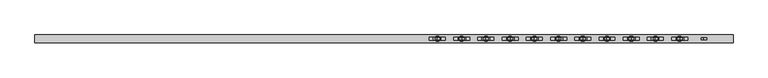
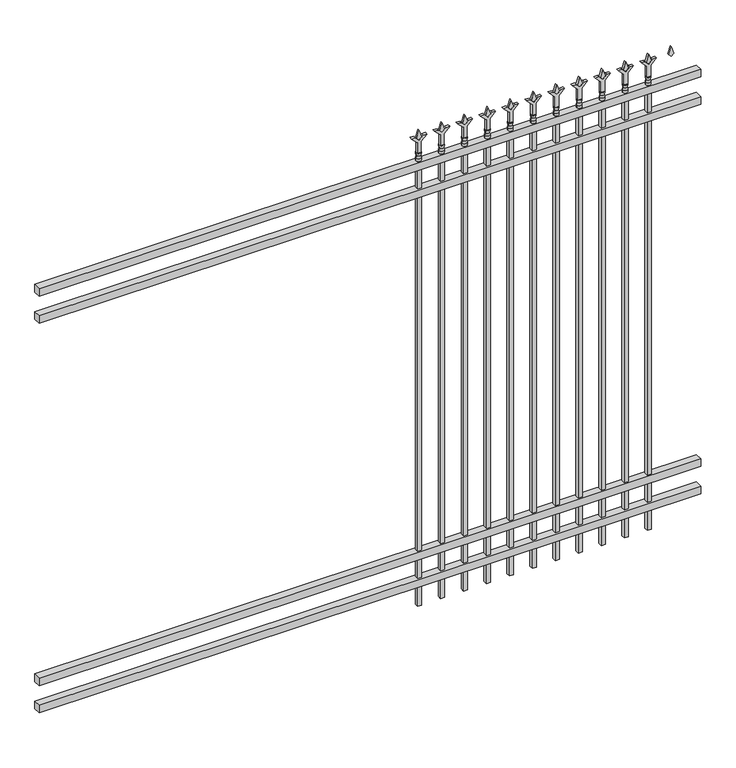
"""IFC4 building model written with IfcOpenShell, lengths in millimetres: railing geometry."""

from ifc_helpers import new_model, si_unit, frame, origin, place, context, project, spatial, polyline, circle_curve, outline, extrude, source, transform, mapped, element, save
from ifc_brep_helpers import plane_surface, cylinder_surface, revolved_surface, advanced_brep


def railing_78b5b620(model_context):
    return source(origin(), model_context, "Body", "SolidModel", [
        extrude(outline(polyline([(-55249.318087, -6748.7195174), (-55249.318087, -6713.7945174), (-52099.718087, -6713.7945174), (-52099.718087, -6748.7195174), (-55249.318087, -6748.7195174)])), frame((0.0, 0.0, 2247.9), z_axis=(0.0, 0.0, 1.0), x_axis=(1.0, 0.0, 0.0)), (0.0, 0.0, 1.0), 38.1),
        extrude(outline(polyline([(-55249.318087, -6748.7195174), (-55249.318087, -6713.7945174), (-52099.718087, -6713.7945174), (-52099.718087, -6748.7195174), (-55249.318087, -6748.7195174)])), frame((0.0, 0.0, 2111.375), z_axis=(0.0, 0.0, 1.0), x_axis=(1.0, 0.0, 0.0)), (0.0, 0.0, 1.0), 38.1),
        extrude(outline(polyline([(-55249.318087, -6748.7195174), (-55249.318087, -6713.7945174), (-52099.718087, -6713.7945174), (-52099.718087, -6748.7195174), (-55249.318087, -6748.7195174)])), frame((0.0, 0.0, 288.925), z_axis=(0.0, 0.0, 1.0), x_axis=(1.0, 0.0, 0.0)), (0.0, 0.0, 1.0), 38.1),
        extrude(outline(polyline([(-55249.318087, -6748.7195174), (-55249.318087, -6713.7945174), (-52099.718087, -6713.7945174), (-52099.718087, -6748.7195174), (-55249.318087, -6748.7195174)])), frame((0.0, 0.0, 152.4), z_axis=(0.0, 0.0, 1.0), x_axis=(1.0, 0.0, 0.0)), (0.0, 0.0, 1.0), 38.1),
        extrude(outline(polyline([(2402.68125, -52328.8472536), (2438.4, -52340.7535036), (2402.68125, -52352.6597536), (2390.775, -52340.7535036), (2402.68125, -52328.8472536)])), frame((0.0, -6736.0195174, 0.0), z_axis=(0.0, 1.0, 0.0), x_axis=(0.0, 0.0, 1.0)), (0.0, 0.0, 1.0), 9.525),
        extrude(outline(polyline([(2327.275, -52332.0222536), (2381.5457378, -52332.0222536), (2408.7355122, -52304.8324791), (2408.7355122, -52322.7929914), (2390.775, -52340.7535036), (2408.7355122, -52358.7140159), (2408.7355122, -52376.6745281), (2381.5457378, -52349.4847536), (2327.275, -52349.4847536), (2327.275, -52332.0222536)])), frame((0.0, -6737.6070174, 0.0), z_axis=(0.0, 1.0, 0.0), x_axis=(0.0, 0.0, 1.0)), (0.0, 0.0, 1.0), 12.7),
        advanced_brep(
        [(-52328.8472536, -6731.2570174, 2298.7), (-52352.6597536, -6731.2570174, 2298.7), (-52352.6597536, -6731.2570174, 2286.0), (-52328.8472536, -6731.2570174, 2286.0), (-52331.0525855, -6731.2570174, 2311.2070585), (-52350.4544218, -6731.2570174, 2311.2070585), (-52328.8472536, -6731.2570174, 2327.275), (-52352.6597536, -6731.2570174, 2327.275), (-52340.7535036, -6731.2570174, 2327.275), (-52340.7535036, -6731.2570174, 2286.0)],
        [
            (0, 1, circle_curve(frame((-52340.7535036, -6731.2570174, 2298.7), z_axis=(0.0, 0.0, -1.0), x_axis=(-1.0, 0.0, 0.0)), 11.90625)),
            (1, 2),
            (2, 3, circle_curve(frame((-52340.7535036, -6731.2570174, 2286.0), z_axis=(0.0, 0.0, 1.0), x_axis=(-1.0, 0.0, 0.0)), 11.90625)),
            (3, 0),
            (1, 0, circle_curve(frame((-52340.7535036, -6731.2570174, 2298.7), z_axis=(0.0, 0.0, -1.0), x_axis=(-1.0, 0.0, 0.0)), 11.90625)),
            (3, 2, circle_curve(frame((-52340.7535036, -6731.2570174, 2286.0), z_axis=(0.0, 0.0, 1.0), x_axis=(-1.0, 0.0, 0.0)), 11.90625)),
            (4, 5, circle_curve(frame((-52340.7535036, -6731.2570174, 2311.2070585), z_axis=(0.0, 0.0, -1.0), x_axis=(-1.0, 0.0, 0.0)), 9.7009181)),
            (5, 1),
            (0, 4),
            (5, 4, circle_curve(frame((-52340.7535036, -6731.2570174, 2311.2070585), z_axis=(0.0, 0.0, -1.0), x_axis=(-1.0, 0.0, 0.0)), 9.7009181)),
            (6, 7, circle_curve(frame((-52340.7535036, -6731.2570174, 2327.275), z_axis=(0.0, 0.0, -1.0), x_axis=(-1.0, 0.0, 0.0)), 11.90625)),
            (7, 5),
            (4, 6),
            (7, 6, circle_curve(frame((-52340.7535036, -6731.2570174, 2327.275), z_axis=(0.0, 0.0, -1.0), x_axis=(-1.0, 0.0, 0.0)), 11.90625)),
            (8, 7),
            (6, 8),
            (2, 9),
            (9, 3),
        ],
        [
            cylinder_surface(frame((-52340.7535036, -6731.2570174, 2286.0), z_axis=(0.0, 0.0, 1.0), x_axis=(-1.0, 0.0, 0.0)), 11.90625),
            revolved_surface(polyline([(-52352.6597536, -6731.2570174, 2298.7), (-52350.4544218, -6731.2570174, 2311.2070585)]), (-52340.7535036, -6731.2570174, 2286.0), (0.0, 0.0, 1.0)),
            revolved_surface(polyline([(-52350.4544218, -6731.2570174, 2311.2070585), (-52352.6597536, -6731.2570174, 2327.275)]), (-52340.7535036, -6731.2570174, 2286.0), (0.0, 0.0, 1.0)),
            plane_surface(frame((-52340.7535036, -6731.2570174, 2327.275), z_axis=(0.0, 0.0, 1.0), x_axis=(-1.0, 0.0, 0.0))),
            plane_surface(frame((-52340.7535036, -6731.2570174, 2286.0), z_axis=(0.0, 0.0, -1.0), x_axis=(-1.0, 0.0, 0.0))),
        ],
        [
            (0, [[1, 2, 3, 4]]),
            (0, [[5, -4, 6, -2]]),
            (1, [[7, 8, -1, 9]]),
            (1, [[10, -9, -5, -8]]),
            (2, [[11, 12, -7, 13]]),
            (2, [[14, -13, -10, -12]]),
            (3, [[15, -11, 16]]),
            (3, [[-16, -14, -15]]),
            (4, [[-3, 17, 18]]),
            (4, [[-6, -18, -17]]),
        ],
    ),
        extrude(outline(polyline([(-52350.2785036, -6721.7320174), (-52331.2285036, -6721.7320174), (-52331.2285036, -6740.7820174), (-52350.2785036, -6740.7820174), (-52350.2785036, -6721.7320174)])), frame((0.0, 0.0, 50.8), z_axis=(0.0, 0.0, 1.0), x_axis=(1.0, 0.0, 0.0)), (0.0, 0.0, 1.0), 2235.2),
        extrude(outline(polyline([(2402.68125, -52438.1201703), (2438.4, -52450.0264203), (2402.68125, -52461.9326703), (2390.775, -52450.0264203), (2402.68125, -52438.1201703)])), frame((0.0, -6736.0195174, 0.0), z_axis=(0.0, 1.0, 0.0), x_axis=(0.0, 0.0, 1.0)), (0.0, 0.0, 1.0), 9.525),
        extrude(outline(polyline([(2327.275, -52441.2951703), (2381.5457378, -52441.2951703), (2408.7355122, -52414.1053958), (2408.7355122, -52432.0659081), (2390.775, -52450.0264203), (2408.7355122, -52467.9869325), (2408.7355122, -52485.9474448), (2381.5457378, -52458.7576703), (2327.275, -52458.7576703), (2327.275, -52441.2951703)])), frame((0.0, -6737.6070174, 0.0), z_axis=(0.0, 1.0, 0.0), x_axis=(0.0, 0.0, 1.0)), (0.0, 0.0, 1.0), 12.7),
        advanced_brep(
        [(-52438.1201703, -6731.2570174, 2298.7), (-52461.9326703, -6731.2570174, 2298.7), (-52461.9326703, -6731.2570174, 2286.0), (-52438.1201703, -6731.2570174, 2286.0), (-52440.3255022, -6731.2570174, 2311.2070585), (-52459.7273384, -6731.2570174, 2311.2070585), (-52438.1201703, -6731.2570174, 2327.275), (-52461.9326703, -6731.2570174, 2327.275), (-52450.0264203, -6731.2570174, 2327.275), (-52450.0264203, -6731.2570174, 2286.0)],
        [
            (0, 1, circle_curve(frame((-52450.0264203, -6731.2570174, 2298.7), z_axis=(0.0, 0.0, -1.0), x_axis=(-1.0, 0.0, 0.0)), 11.90625)),
            (1, 2),
            (2, 3, circle_curve(frame((-52450.0264203, -6731.2570174, 2286.0), z_axis=(0.0, 0.0, 1.0), x_axis=(-1.0, 0.0, 0.0)), 11.90625)),
            (3, 0),
            (1, 0, circle_curve(frame((-52450.0264203, -6731.2570174, 2298.7), z_axis=(0.0, 0.0, -1.0), x_axis=(-1.0, 0.0, 0.0)), 11.90625)),
            (3, 2, circle_curve(frame((-52450.0264203, -6731.2570174, 2286.0), z_axis=(0.0, 0.0, 1.0), x_axis=(-1.0, 0.0, 0.0)), 11.90625)),
            (4, 5, circle_curve(frame((-52450.0264203, -6731.2570174, 2311.2070585), z_axis=(0.0, 0.0, -1.0), x_axis=(-1.0, 0.0, 0.0)), 9.7009181)),
            (5, 1),
            (0, 4),
            (5, 4, circle_curve(frame((-52450.0264203, -6731.2570174, 2311.2070585), z_axis=(0.0, 0.0, -1.0), x_axis=(-1.0, 0.0, 0.0)), 9.7009181)),
            (6, 7, circle_curve(frame((-52450.0264203, -6731.2570174, 2327.275), z_axis=(0.0, 0.0, -1.0), x_axis=(-1.0, 0.0, 0.0)), 11.90625)),
            (7, 5),
            (4, 6),
            (7, 6, circle_curve(frame((-52450.0264203, -6731.2570174, 2327.275), z_axis=(0.0, 0.0, -1.0), x_axis=(-1.0, 0.0, 0.0)), 11.90625)),
            (8, 7),
            (6, 8),
            (2, 9),
            (9, 3),
        ],
        [
            cylinder_surface(frame((-52450.0264203, -6731.2570174, 2286.0), z_axis=(0.0, 0.0, 1.0), x_axis=(-1.0, 0.0, 0.0)), 11.90625),
            revolved_surface(polyline([(-52461.9326703, -6731.2570174, 2298.7), (-52459.7273384, -6731.2570174, 2311.2070585)]), (-52450.0264203, -6731.2570174, 2286.0), (0.0, 0.0, 1.0)),
            revolved_surface(polyline([(-52459.7273384, -6731.2570174, 2311.2070585), (-52461.9326703, -6731.2570174, 2327.275)]), (-52450.0264203, -6731.2570174, 2286.0), (0.0, 0.0, 1.0)),
            plane_surface(frame((-52450.0264203, -6731.2570174, 2327.275), z_axis=(0.0, 0.0, 1.0), x_axis=(-1.0, 0.0, 0.0))),
            plane_surface(frame((-52450.0264203, -6731.2570174, 2286.0), z_axis=(0.0, 0.0, -1.0), x_axis=(-1.0, 0.0, 0.0))),
        ],
        [
            (0, [[1, 2, 3, 4]]),
            (0, [[5, -4, 6, -2]]),
            (1, [[7, 8, -1, 9]]),
            (1, [[10, -9, -5, -8]]),
            (2, [[11, 12, -7, 13]]),
            (2, [[14, -13, -10, -12]]),
            (3, [[15, -11, 16]]),
            (3, [[-16, -14, -15]]),
            (4, [[-3, 17, 18]]),
            (4, [[-6, -18, -17]]),
        ],
    ),
        extrude(outline(polyline([(-52459.5514203, -6721.7320174), (-52440.5014203, -6721.7320174), (-52440.5014203, -6740.7820174), (-52459.5514203, -6740.7820174), (-52459.5514203, -6721.7320174)])), frame((0.0, 0.0, 50.8), z_axis=(0.0, 0.0, 1.0), x_axis=(1.0, 0.0, 0.0)), (0.0, 0.0, 1.0), 2235.2),
        extrude(outline(polyline([(2402.68125, -52547.393087), (2438.4, -52559.299337), (2402.68125, -52571.205587), (2390.775, -52559.299337), (2402.68125, -52547.393087)])), frame((0.0, -6736.0195174, 0.0), z_axis=(0.0, 1.0, 0.0), x_axis=(0.0, 0.0, 1.0)), (0.0, 0.0, 1.0), 9.525),
        extrude(outline(polyline([(2327.275, -52550.568087), (2381.5457378, -52550.568087), (2408.7355122, -52523.3783125), (2408.7355122, -52541.3388247), (2390.775, -52559.299337), (2408.7355122, -52577.2598492), (2408.7355122, -52595.2203614), (2381.5457378, -52568.030587), (2327.275, -52568.030587), (2327.275, -52550.568087)])), frame((0.0, -6737.6070174, 0.0), z_axis=(0.0, 1.0, 0.0), x_axis=(0.0, 0.0, 1.0)), (0.0, 0.0, 1.0), 12.7),
        advanced_brep(
        [(-52547.393087, -6731.2570174, 2298.7), (-52571.205587, -6731.2570174, 2298.7), (-52571.205587, -6731.2570174, 2286.0), (-52547.393087, -6731.2570174, 2286.0), (-52549.5984188, -6731.2570174, 2311.2070585), (-52569.0002551, -6731.2570174, 2311.2070585), (-52547.393087, -6731.2570174, 2327.275), (-52571.205587, -6731.2570174, 2327.275), (-52559.299337, -6731.2570174, 2327.275), (-52559.299337, -6731.2570174, 2286.0)],
        [
            (0, 1, circle_curve(frame((-52559.299337, -6731.2570174, 2298.7), z_axis=(0.0, 0.0, -1.0), x_axis=(-1.0, 0.0, 0.0)), 11.90625)),
            (1, 2),
            (2, 3, circle_curve(frame((-52559.299337, -6731.2570174, 2286.0), z_axis=(0.0, 0.0, 1.0), x_axis=(-1.0, 0.0, 0.0)), 11.90625)),
            (3, 0),
            (1, 0, circle_curve(frame((-52559.299337, -6731.2570174, 2298.7), z_axis=(0.0, 0.0, -1.0), x_axis=(-1.0, 0.0, 0.0)), 11.90625)),
            (3, 2, circle_curve(frame((-52559.299337, -6731.2570174, 2286.0), z_axis=(0.0, 0.0, 1.0), x_axis=(-1.0, 0.0, 0.0)), 11.90625)),
            (4, 5, circle_curve(frame((-52559.299337, -6731.2570174, 2311.2070585), z_axis=(0.0, 0.0, -1.0), x_axis=(-1.0, 0.0, 0.0)), 9.7009181)),
            (5, 1),
            (0, 4),
            (5, 4, circle_curve(frame((-52559.299337, -6731.2570174, 2311.2070585), z_axis=(0.0, 0.0, -1.0), x_axis=(-1.0, 0.0, 0.0)), 9.7009181)),
            (6, 7, circle_curve(frame((-52559.299337, -6731.2570174, 2327.275), z_axis=(0.0, 0.0, -1.0), x_axis=(-1.0, 0.0, 0.0)), 11.90625)),
            (7, 5),
            (4, 6),
            (7, 6, circle_curve(frame((-52559.299337, -6731.2570174, 2327.275), z_axis=(0.0, 0.0, -1.0), x_axis=(-1.0, 0.0, 0.0)), 11.90625)),
            (8, 7),
            (6, 8),
            (2, 9),
            (9, 3),
        ],
        [
            cylinder_surface(frame((-52559.299337, -6731.2570174, 2286.0), z_axis=(0.0, 0.0, 1.0), x_axis=(-1.0, 0.0, 0.0)), 11.90625),
            revolved_surface(polyline([(-52571.205587, -6731.2570174, 2298.7), (-52569.0002551, -6731.2570174, 2311.2070585)]), (-52559.299337, -6731.2570174, 2286.0), (0.0, 0.0, 1.0)),
            revolved_surface(polyline([(-52569.0002551, -6731.2570174, 2311.2070585), (-52571.205587, -6731.2570174, 2327.275)]), (-52559.299337, -6731.2570174, 2286.0), (0.0, 0.0, 1.0)),
            plane_surface(frame((-52559.299337, -6731.2570174, 2327.275), z_axis=(0.0, 0.0, 1.0), x_axis=(-1.0, 0.0, 0.0))),
            plane_surface(frame((-52559.299337, -6731.2570174, 2286.0), z_axis=(0.0, 0.0, -1.0), x_axis=(-1.0, 0.0, 0.0))),
        ],
        [
            (0, [[1, 2, 3, 4]]),
            (0, [[5, -4, 6, -2]]),
            (1, [[7, 8, -1, 9]]),
            (1, [[10, -9, -5, -8]]),
            (2, [[11, 12, -7, 13]]),
            (2, [[14, -13, -10, -12]]),
            (3, [[15, -11, 16]]),
            (3, [[-16, -14, -15]]),
            (4, [[-3, 17, 18]]),
            (4, [[-6, -18, -17]]),
        ],
    ),
        extrude(outline(polyline([(-52568.824337, -6721.7320174), (-52549.774337, -6721.7320174), (-52549.774337, -6740.7820174), (-52568.824337, -6740.7820174), (-52568.824337, -6721.7320174)])), frame((0.0, 0.0, 50.8), z_axis=(0.0, 0.0, 1.0), x_axis=(1.0, 0.0, 0.0)), (0.0, 0.0, 1.0), 2235.2),
        extrude(outline(polyline([(2402.68125, -52656.6660036), (2438.4, -52668.5722536), (2402.68125, -52680.4785036), (2390.775, -52668.5722536), (2402.68125, -52656.6660036)])), frame((0.0, -6736.0195174, 0.0), z_axis=(0.0, 1.0, 0.0), x_axis=(0.0, 0.0, 1.0)), (0.0, 0.0, 1.0), 9.525),
        extrude(outline(polyline([(2327.275, -52659.8410036), (2381.5457378, -52659.8410036), (2408.7355122, -52632.6512291), (2408.7355122, -52650.6117414), (2390.775, -52668.5722536), (2408.7355122, -52686.5327659), (2408.7355122, -52704.4932781), (2381.5457378, -52677.3035036), (2327.275, -52677.3035036), (2327.275, -52659.8410036)])), frame((0.0, -6737.6070174, 0.0), z_axis=(0.0, 1.0, 0.0), x_axis=(0.0, 0.0, 1.0)), (0.0, 0.0, 1.0), 12.7),
        advanced_brep(
        [(-52656.6660036, -6731.2570174, 2298.7), (-52680.4785036, -6731.2570174, 2298.7), (-52680.4785036, -6731.2570174, 2286.0), (-52656.6660036, -6731.2570174, 2286.0), (-52658.8713355, -6731.2570174, 2311.2070585), (-52678.2731718, -6731.2570174, 2311.2070585), (-52656.6660036, -6731.2570174, 2327.275), (-52680.4785036, -6731.2570174, 2327.275), (-52668.5722536, -6731.2570174, 2327.275), (-52668.5722536, -6731.2570174, 2286.0)],
        [
            (0, 1, circle_curve(frame((-52668.5722536, -6731.2570174, 2298.7), z_axis=(0.0, 0.0, -1.0), x_axis=(-1.0, 0.0, 0.0)), 11.90625)),
            (1, 2),
            (2, 3, circle_curve(frame((-52668.5722536, -6731.2570174, 2286.0), z_axis=(0.0, 0.0, 1.0), x_axis=(-1.0, 0.0, 0.0)), 11.90625)),
            (3, 0),
            (1, 0, circle_curve(frame((-52668.5722536, -6731.2570174, 2298.7), z_axis=(0.0, 0.0, -1.0), x_axis=(-1.0, 0.0, 0.0)), 11.90625)),
            (3, 2, circle_curve(frame((-52668.5722536, -6731.2570174, 2286.0), z_axis=(0.0, 0.0, 1.0), x_axis=(-1.0, 0.0, 0.0)), 11.90625)),
            (4, 5, circle_curve(frame((-52668.5722536, -6731.2570174, 2311.2070585), z_axis=(0.0, 0.0, -1.0), x_axis=(-1.0, 0.0, 0.0)), 9.7009181)),
            (5, 1),
            (0, 4),
            (5, 4, circle_curve(frame((-52668.5722536, -6731.2570174, 2311.2070585), z_axis=(0.0, 0.0, -1.0), x_axis=(-1.0, 0.0, 0.0)), 9.7009181)),
            (6, 7, circle_curve(frame((-52668.5722536, -6731.2570174, 2327.275), z_axis=(0.0, 0.0, -1.0), x_axis=(-1.0, 0.0, 0.0)), 11.90625)),
            (7, 5),
            (4, 6),
            (7, 6, circle_curve(frame((-52668.5722536, -6731.2570174, 2327.275), z_axis=(0.0, 0.0, -1.0), x_axis=(-1.0, 0.0, 0.0)), 11.90625)),
            (8, 7),
            (6, 8),
            (2, 9),
            (9, 3),
        ],
        [
            cylinder_surface(frame((-52668.5722536, -6731.2570174, 2286.0), z_axis=(0.0, 0.0, 1.0), x_axis=(-1.0, 0.0, 0.0)), 11.90625),
            revolved_surface(polyline([(-52680.4785036, -6731.2570174, 2298.7), (-52678.2731718, -6731.2570174, 2311.2070585)]), (-52668.5722536, -6731.2570174, 2286.0), (0.0, 0.0, 1.0)),
            revolved_surface(polyline([(-52678.2731718, -6731.2570174, 2311.2070585), (-52680.4785036, -6731.2570174, 2327.275)]), (-52668.5722536, -6731.2570174, 2286.0), (0.0, 0.0, 1.0)),
            plane_surface(frame((-52668.5722536, -6731.2570174, 2327.275), z_axis=(0.0, 0.0, 1.0), x_axis=(-1.0, 0.0, 0.0))),
            plane_surface(frame((-52668.5722536, -6731.2570174, 2286.0), z_axis=(0.0, 0.0, -1.0), x_axis=(-1.0, 0.0, 0.0))),
        ],
        [
            (0, [[1, 2, 3, 4]]),
            (0, [[5, -4, 6, -2]]),
            (1, [[7, 8, -1, 9]]),
            (1, [[10, -9, -5, -8]]),
            (2, [[11, 12, -7, 13]]),
            (2, [[14, -13, -10, -12]]),
            (3, [[15, -11, 16]]),
            (3, [[-16, -14, -15]]),
            (4, [[-3, 17, 18]]),
            (4, [[-6, -18, -17]]),
        ],
    ),
        extrude(outline(polyline([(-52678.0972536, -6721.7320174), (-52659.0472536, -6721.7320174), (-52659.0472536, -6740.7820174), (-52678.0972536, -6740.7820174), (-52678.0972536, -6721.7320174)])), frame((0.0, 0.0, 50.8), z_axis=(0.0, 0.0, 1.0), x_axis=(1.0, 0.0, 0.0)), (0.0, 0.0, 1.0), 2235.2),
        extrude(outline(polyline([(2402.68125, -52765.9389203), (2438.4, -52777.8451703), (2402.68125, -52789.7514203), (2390.775, -52777.8451703), (2402.68125, -52765.9389203)])), frame((0.0, -6736.0195174, 0.0), z_axis=(0.0, 1.0, 0.0), x_axis=(0.0, 0.0, 1.0)), (0.0, 0.0, 1.0), 9.525),
        extrude(outline(polyline([(2327.275, -52769.1139203), (2381.5457378, -52769.1139203), (2408.7355122, -52741.9241458), (2408.7355122, -52759.8846581), (2390.775, -52777.8451703), (2408.7355122, -52795.8056825), (2408.7355122, -52813.7661948), (2381.5457378, -52786.5764203), (2327.275, -52786.5764203), (2327.275, -52769.1139203)])), frame((0.0, -6737.6070174, 0.0), z_axis=(0.0, 1.0, 0.0), x_axis=(0.0, 0.0, 1.0)), (0.0, 0.0, 1.0), 12.7),
        advanced_brep(
        [(-52765.9389203, -6731.2570174, 2298.7), (-52789.7514203, -6731.2570174, 2298.7), (-52789.7514203, -6731.2570174, 2286.0), (-52765.9389203, -6731.2570174, 2286.0), (-52768.1442522, -6731.2570174, 2311.2070585), (-52787.5460884, -6731.2570174, 2311.2070585), (-52765.9389203, -6731.2570174, 2327.275), (-52789.7514203, -6731.2570174, 2327.275), (-52777.8451703, -6731.2570174, 2327.275), (-52777.8451703, -6731.2570174, 2286.0)],
        [
            (0, 1, circle_curve(frame((-52777.8451703, -6731.2570174, 2298.7), z_axis=(0.0, 0.0, -1.0), x_axis=(-1.0, 0.0, 0.0)), 11.90625)),
            (1, 2),
            (2, 3, circle_curve(frame((-52777.8451703, -6731.2570174, 2286.0), z_axis=(0.0, 0.0, 1.0), x_axis=(-1.0, 0.0, 0.0)), 11.90625)),
            (3, 0),
            (1, 0, circle_curve(frame((-52777.8451703, -6731.2570174, 2298.7), z_axis=(0.0, 0.0, -1.0), x_axis=(-1.0, 0.0, 0.0)), 11.90625)),
            (3, 2, circle_curve(frame((-52777.8451703, -6731.2570174, 2286.0), z_axis=(0.0, 0.0, 1.0), x_axis=(-1.0, 0.0, 0.0)), 11.90625)),
            (4, 5, circle_curve(frame((-52777.8451703, -6731.2570174, 2311.2070585), z_axis=(0.0, 0.0, -1.0), x_axis=(-1.0, 0.0, 0.0)), 9.7009181)),
            (5, 1),
            (0, 4),
            (5, 4, circle_curve(frame((-52777.8451703, -6731.2570174, 2311.2070585), z_axis=(0.0, 0.0, -1.0), x_axis=(-1.0, 0.0, 0.0)), 9.7009181)),
            (6, 7, circle_curve(frame((-52777.8451703, -6731.2570174, 2327.275), z_axis=(0.0, 0.0, -1.0), x_axis=(-1.0, 0.0, 0.0)), 11.90625)),
            (7, 5),
            (4, 6),
            (7, 6, circle_curve(frame((-52777.8451703, -6731.2570174, 2327.275), z_axis=(0.0, 0.0, -1.0), x_axis=(-1.0, 0.0, 0.0)), 11.90625)),
            (8, 7),
            (6, 8),
            (2, 9),
            (9, 3),
        ],
        [
            cylinder_surface(frame((-52777.8451703, -6731.2570174, 2286.0), z_axis=(0.0, 0.0, 1.0), x_axis=(-1.0, 0.0, 0.0)), 11.90625),
            revolved_surface(polyline([(-52789.7514203, -6731.2570174, 2298.7), (-52787.5460884, -6731.2570174, 2311.2070585)]), (-52777.8451703, -6731.2570174, 2286.0), (0.0, 0.0, 1.0)),
            revolved_surface(polyline([(-52787.5460884, -6731.2570174, 2311.2070585), (-52789.7514203, -6731.2570174, 2327.275)]), (-52777.8451703, -6731.2570174, 2286.0), (0.0, 0.0, 1.0)),
            plane_surface(frame((-52777.8451703, -6731.2570174, 2327.275), z_axis=(0.0, 0.0, 1.0), x_axis=(-1.0, 0.0, 0.0))),
            plane_surface(frame((-52777.8451703, -6731.2570174, 2286.0), z_axis=(0.0, 0.0, -1.0), x_axis=(-1.0, 0.0, 0.0))),
        ],
        [
            (0, [[1, 2, 3, 4]]),
            (0, [[5, -4, 6, -2]]),
            (1, [[7, 8, -1, 9]]),
            (1, [[10, -9, -5, -8]]),
            (2, [[11, 12, -7, 13]]),
            (2, [[14, -13, -10, -12]]),
            (3, [[15, -11, 16]]),
            (3, [[-16, -14, -15]]),
            (4, [[-3, 17, 18]]),
            (4, [[-6, -18, -17]]),
        ],
    ),
        extrude(outline(polyline([(-52787.3701703, -6721.7320174), (-52768.3201703, -6721.7320174), (-52768.3201703, -6740.7820174), (-52787.3701703, -6740.7820174), (-52787.3701703, -6721.7320174)])), frame((0.0, 0.0, 50.8), z_axis=(0.0, 0.0, 1.0), x_axis=(1.0, 0.0, 0.0)), (0.0, 0.0, 1.0), 2235.2),
        extrude(outline(polyline([(2402.68125, -52875.211837), (2438.4, -52887.118087), (2402.68125, -52899.024337), (2390.775, -52887.118087), (2402.68125, -52875.211837)])), frame((0.0, -6736.0195174, 0.0), z_axis=(0.0, 1.0, 0.0), x_axis=(0.0, 0.0, 1.0)), (0.0, 0.0, 1.0), 9.525),
        extrude(outline(polyline([(2327.275, -52878.386837), (2381.5457378, -52878.386837), (2408.7355122, -52851.1970625), (2408.7355122, -52869.1575747), (2390.775, -52887.118087), (2408.7355122, -52905.0785992), (2408.7355122, -52923.0391114), (2381.5457378, -52895.849337), (2327.275, -52895.849337), (2327.275, -52878.386837)])), frame((0.0, -6737.6070174, 0.0), z_axis=(0.0, 1.0, 0.0), x_axis=(0.0, 0.0, 1.0)), (0.0, 0.0, 1.0), 12.7),
        advanced_brep(
        [(-52875.211837, -6731.2570174, 2298.7), (-52899.024337, -6731.2570174, 2298.7), (-52899.024337, -6731.2570174, 2286.0), (-52875.211837, -6731.2570174, 2286.0), (-52877.4171688, -6731.2570174, 2311.2070585), (-52896.8190051, -6731.2570174, 2311.2070585), (-52875.211837, -6731.2570174, 2327.275), (-52899.024337, -6731.2570174, 2327.275), (-52887.118087, -6731.2570174, 2327.275), (-52887.118087, -6731.2570174, 2286.0)],
        [
            (0, 1, circle_curve(frame((-52887.118087, -6731.2570174, 2298.7), z_axis=(0.0, 0.0, -1.0), x_axis=(-1.0, 0.0, 0.0)), 11.90625)),
            (1, 2),
            (2, 3, circle_curve(frame((-52887.118087, -6731.2570174, 2286.0), z_axis=(0.0, 0.0, 1.0), x_axis=(-1.0, 0.0, 0.0)), 11.90625)),
            (3, 0),
            (1, 0, circle_curve(frame((-52887.118087, -6731.2570174, 2298.7), z_axis=(0.0, 0.0, -1.0), x_axis=(-1.0, 0.0, 0.0)), 11.90625)),
            (3, 2, circle_curve(frame((-52887.118087, -6731.2570174, 2286.0), z_axis=(0.0, 0.0, 1.0), x_axis=(-1.0, 0.0, 0.0)), 11.90625)),
            (4, 5, circle_curve(frame((-52887.118087, -6731.2570174, 2311.2070585), z_axis=(0.0, 0.0, -1.0), x_axis=(-1.0, 0.0, 0.0)), 9.7009181)),
            (5, 1),
            (0, 4),
            (5, 4, circle_curve(frame((-52887.118087, -6731.2570174, 2311.2070585), z_axis=(0.0, 0.0, -1.0), x_axis=(-1.0, 0.0, 0.0)), 9.7009181)),
            (6, 7, circle_curve(frame((-52887.118087, -6731.2570174, 2327.275), z_axis=(0.0, 0.0, -1.0), x_axis=(-1.0, 0.0, 0.0)), 11.90625)),
            (7, 5),
            (4, 6),
            (7, 6, circle_curve(frame((-52887.118087, -6731.2570174, 2327.275), z_axis=(0.0, 0.0, -1.0), x_axis=(-1.0, 0.0, 0.0)), 11.90625)),
            (8, 7),
            (6, 8),
            (2, 9),
            (9, 3),
        ],
        [
            cylinder_surface(frame((-52887.118087, -6731.2570174, 2286.0), z_axis=(0.0, 0.0, 1.0), x_axis=(-1.0, 0.0, 0.0)), 11.90625),
            revolved_surface(polyline([(-52899.024337, -6731.2570174, 2298.7), (-52896.8190051, -6731.2570174, 2311.2070585)]), (-52887.118087, -6731.2570174, 2286.0), (0.0, 0.0, 1.0)),
            revolved_surface(polyline([(-52896.8190051, -6731.2570174, 2311.2070585), (-52899.024337, -6731.2570174, 2327.275)]), (-52887.118087, -6731.2570174, 2286.0), (0.0, 0.0, 1.0)),
            plane_surface(frame((-52887.118087, -6731.2570174, 2327.275), z_axis=(0.0, 0.0, 1.0), x_axis=(-1.0, 0.0, 0.0))),
            plane_surface(frame((-52887.118087, -6731.2570174, 2286.0), z_axis=(0.0, 0.0, -1.0), x_axis=(-1.0, 0.0, 0.0))),
        ],
        [
            (0, [[1, 2, 3, 4]]),
            (0, [[5, -4, 6, -2]]),
            (1, [[7, 8, -1, 9]]),
            (1, [[10, -9, -5, -8]]),
            (2, [[11, 12, -7, 13]]),
            (2, [[14, -13, -10, -12]]),
            (3, [[15, -11, 16]]),
            (3, [[-16, -14, -15]]),
            (4, [[-3, 17, 18]]),
            (4, [[-6, -18, -17]]),
        ],
    ),
        extrude(outline(polyline([(-52896.643087, -6721.7320174), (-52877.593087, -6721.7320174), (-52877.593087, -6740.7820174), (-52896.643087, -6740.7820174), (-52896.643087, -6721.7320174)])), frame((0.0, 0.0, 50.8), z_axis=(0.0, 0.0, 1.0), x_axis=(1.0, 0.0, 0.0)), (0.0, 0.0, 1.0), 2235.2),
        extrude(outline(polyline([(2402.68125, -52984.4847536), (2438.4, -52996.3910036), (2402.68125, -53008.2972536), (2390.775, -52996.3910036), (2402.68125, -52984.4847536)])), frame((0.0, -6736.0195174, 0.0), z_axis=(0.0, 1.0, 0.0), x_axis=(0.0, 0.0, 1.0)), (0.0, 0.0, 1.0), 9.525),
        extrude(outline(polyline([(2327.275, -52987.6597536), (2381.5457378, -52987.6597536), (2408.7355122, -52960.4699791), (2408.7355122, -52978.4304914), (2390.775, -52996.3910036), (2408.7355122, -53014.3515159), (2408.7355122, -53032.3120281), (2381.5457378, -53005.1222536), (2327.275, -53005.1222536), (2327.275, -52987.6597536)])), frame((0.0, -6737.6070174, 0.0), z_axis=(0.0, 1.0, 0.0), x_axis=(0.0, 0.0, 1.0)), (0.0, 0.0, 1.0), 12.7),
        advanced_brep(
        [(-52984.4847536, -6731.2570174, 2298.7), (-53008.2972536, -6731.2570174, 2298.7), (-53008.2972536, -6731.2570174, 2286.0), (-52984.4847536, -6731.2570174, 2286.0), (-52986.6900855, -6731.2570174, 2311.2070585), (-53006.0919218, -6731.2570174, 2311.2070585), (-52984.4847536, -6731.2570174, 2327.275), (-53008.2972536, -6731.2570174, 2327.275), (-52996.3910036, -6731.2570174, 2327.275), (-52996.3910036, -6731.2570174, 2286.0)],
        [
            (0, 1, circle_curve(frame((-52996.3910036, -6731.2570174, 2298.7), z_axis=(0.0, 0.0, -1.0), x_axis=(-1.0, 0.0, 0.0)), 11.90625)),
            (1, 2),
            (2, 3, circle_curve(frame((-52996.3910036, -6731.2570174, 2286.0), z_axis=(0.0, 0.0, 1.0), x_axis=(-1.0, 0.0, 0.0)), 11.90625)),
            (3, 0),
            (1, 0, circle_curve(frame((-52996.3910036, -6731.2570174, 2298.7), z_axis=(0.0, 0.0, -1.0), x_axis=(-1.0, 0.0, 0.0)), 11.90625)),
            (3, 2, circle_curve(frame((-52996.3910036, -6731.2570174, 2286.0), z_axis=(0.0, 0.0, 1.0), x_axis=(-1.0, 0.0, 0.0)), 11.90625)),
            (4, 5, circle_curve(frame((-52996.3910036, -6731.2570174, 2311.2070585), z_axis=(0.0, 0.0, -1.0), x_axis=(-1.0, 0.0, 0.0)), 9.7009181)),
            (5, 1),
            (0, 4),
            (5, 4, circle_curve(frame((-52996.3910036, -6731.2570174, 2311.2070585), z_axis=(0.0, 0.0, -1.0), x_axis=(-1.0, 0.0, 0.0)), 9.7009181)),
            (6, 7, circle_curve(frame((-52996.3910036, -6731.2570174, 2327.275), z_axis=(0.0, 0.0, -1.0), x_axis=(-1.0, 0.0, 0.0)), 11.90625)),
            (7, 5),
            (4, 6),
            (7, 6, circle_curve(frame((-52996.3910036, -6731.2570174, 2327.275), z_axis=(0.0, 0.0, -1.0), x_axis=(-1.0, 0.0, 0.0)), 11.90625)),
            (8, 7),
            (6, 8),
            (2, 9),
            (9, 3),
        ],
        [
            cylinder_surface(frame((-52996.3910036, -6731.2570174, 2286.0), z_axis=(0.0, 0.0, 1.0), x_axis=(-1.0, 0.0, 0.0)), 11.90625),
            revolved_surface(polyline([(-53008.2972536, -6731.2570174, 2298.7), (-53006.0919218, -6731.2570174, 2311.2070585)]), (-52996.3910036, -6731.2570174, 2286.0), (0.0, 0.0, 1.0)),
            revolved_surface(polyline([(-53006.0919218, -6731.2570174, 2311.2070585), (-53008.2972536, -6731.2570174, 2327.275)]), (-52996.3910036, -6731.2570174, 2286.0), (0.0, 0.0, 1.0)),
            plane_surface(frame((-52996.3910036, -6731.2570174, 2327.275), z_axis=(0.0, 0.0, 1.0), x_axis=(-1.0, 0.0, 0.0))),
            plane_surface(frame((-52996.3910036, -6731.2570174, 2286.0), z_axis=(0.0, 0.0, -1.0), x_axis=(-1.0, 0.0, 0.0))),
        ],
        [
            (0, [[1, 2, 3, 4]]),
            (0, [[5, -4, 6, -2]]),
            (1, [[7, 8, -1, 9]]),
            (1, [[10, -9, -5, -8]]),
            (2, [[11, 12, -7, 13]]),
            (2, [[14, -13, -10, -12]]),
            (3, [[15, -11, 16]]),
            (3, [[-16, -14, -15]]),
            (4, [[-3, 17, 18]]),
            (4, [[-6, -18, -17]]),
        ],
    ),
        extrude(outline(polyline([(-53005.9160036, -6721.7320174), (-52986.8660036, -6721.7320174), (-52986.8660036, -6740.7820174), (-53005.9160036, -6740.7820174), (-53005.9160036, -6721.7320174)])), frame((0.0, 0.0, 50.8), z_axis=(0.0, 0.0, 1.0), x_axis=(1.0, 0.0, 0.0)), (0.0, 0.0, 1.0), 2235.2),
        extrude(outline(polyline([(2402.68125, -53093.7576703), (2438.4, -53105.6639203), (2402.68125, -53117.5701703), (2390.775, -53105.6639203), (2402.68125, -53093.7576703)])), frame((0.0, -6736.0195174, 0.0), z_axis=(0.0, 1.0, 0.0), x_axis=(0.0, 0.0, 1.0)), (0.0, 0.0, 1.0), 9.525),
        extrude(outline(polyline([(2327.275, -53096.9326703), (2381.5457378, -53096.9326703), (2408.7355122, -53069.7428958), (2408.7355122, -53087.7034081), (2390.775, -53105.6639203), (2408.7355122, -53123.6244325), (2408.7355122, -53141.5849448), (2381.5457378, -53114.3951703), (2327.275, -53114.3951703), (2327.275, -53096.9326703)])), frame((0.0, -6737.6070174, 0.0), z_axis=(0.0, 1.0, 0.0), x_axis=(0.0, 0.0, 1.0)), (0.0, 0.0, 1.0), 12.7),
        advanced_brep(
        [(-53093.7576703, -6731.2570174, 2298.7), (-53117.5701703, -6731.2570174, 2298.7), (-53117.5701703, -6731.2570174, 2286.0), (-53093.7576703, -6731.2570174, 2286.0), (-53095.9630022, -6731.2570174, 2311.2070585), (-53115.3648384, -6731.2570174, 2311.2070585), (-53093.7576703, -6731.2570174, 2327.275), (-53117.5701703, -6731.2570174, 2327.275), (-53105.6639203, -6731.2570174, 2327.275), (-53105.6639203, -6731.2570174, 2286.0)],
        [
            (0, 1, circle_curve(frame((-53105.6639203, -6731.2570174, 2298.7), z_axis=(0.0, 0.0, -1.0), x_axis=(-1.0, 0.0, 0.0)), 11.90625)),
            (1, 2),
            (2, 3, circle_curve(frame((-53105.6639203, -6731.2570174, 2286.0), z_axis=(0.0, 0.0, 1.0), x_axis=(-1.0, 0.0, 0.0)), 11.90625)),
            (3, 0),
            (1, 0, circle_curve(frame((-53105.6639203, -6731.2570174, 2298.7), z_axis=(0.0, 0.0, -1.0), x_axis=(-1.0, 0.0, 0.0)), 11.90625)),
            (3, 2, circle_curve(frame((-53105.6639203, -6731.2570174, 2286.0), z_axis=(0.0, 0.0, 1.0), x_axis=(-1.0, 0.0, 0.0)), 11.90625)),
            (4, 5, circle_curve(frame((-53105.6639203, -6731.2570174, 2311.2070585), z_axis=(0.0, 0.0, -1.0), x_axis=(-1.0, 0.0, 0.0)), 9.7009181)),
            (5, 1),
            (0, 4),
            (5, 4, circle_curve(frame((-53105.6639203, -6731.2570174, 2311.2070585), z_axis=(0.0, 0.0, -1.0), x_axis=(-1.0, 0.0, 0.0)), 9.7009181)),
            (6, 7, circle_curve(frame((-53105.6639203, -6731.2570174, 2327.275), z_axis=(0.0, 0.0, -1.0), x_axis=(-1.0, 0.0, 0.0)), 11.90625)),
            (7, 5),
            (4, 6),
            (7, 6, circle_curve(frame((-53105.6639203, -6731.2570174, 2327.275), z_axis=(0.0, 0.0, -1.0), x_axis=(-1.0, 0.0, 0.0)), 11.90625)),
            (8, 7),
            (6, 8),
            (2, 9),
            (9, 3),
        ],
        [
            cylinder_surface(frame((-53105.6639203, -6731.2570174, 2286.0), z_axis=(0.0, 0.0, 1.0), x_axis=(-1.0, 0.0, 0.0)), 11.90625),
            revolved_surface(polyline([(-53117.5701703, -6731.2570174, 2298.7), (-53115.3648384, -6731.2570174, 2311.2070585)]), (-53105.6639203, -6731.2570174, 2286.0), (0.0, 0.0, 1.0)),
            revolved_surface(polyline([(-53115.3648384, -6731.2570174, 2311.2070585), (-53117.5701703, -6731.2570174, 2327.275)]), (-53105.6639203, -6731.2570174, 2286.0), (0.0, 0.0, 1.0)),
            plane_surface(frame((-53105.6639203, -6731.2570174, 2327.275), z_axis=(0.0, 0.0, 1.0), x_axis=(-1.0, 0.0, 0.0))),
            plane_surface(frame((-53105.6639203, -6731.2570174, 2286.0), z_axis=(0.0, 0.0, -1.0), x_axis=(-1.0, 0.0, 0.0))),
        ],
        [
            (0, [[1, 2, 3, 4]]),
            (0, [[5, -4, 6, -2]]),
            (1, [[7, 8, -1, 9]]),
            (1, [[10, -9, -5, -8]]),
            (2, [[11, 12, -7, 13]]),
            (2, [[14, -13, -10, -12]]),
            (3, [[15, -11, 16]]),
            (3, [[-16, -14, -15]]),
            (4, [[-3, 17, 18]]),
            (4, [[-6, -18, -17]]),
        ],
    ),
        extrude(outline(polyline([(-53115.1889203, -6721.7320174), (-53096.1389203, -6721.7320174), (-53096.1389203, -6740.7820174), (-53115.1889203, -6740.7820174), (-53115.1889203, -6721.7320174)])), frame((0.0, 0.0, 50.8), z_axis=(0.0, 0.0, 1.0), x_axis=(1.0, 0.0, 0.0)), (0.0, 0.0, 1.0), 2235.2),
        extrude(outline(polyline([(2402.68125, -53203.030587), (2438.4, -53214.936837), (2402.68125, -53226.843087), (2390.775, -53214.936837), (2402.68125, -53203.030587)])), frame((0.0, -6736.0195174, 0.0), z_axis=(0.0, 1.0, 0.0), x_axis=(0.0, 0.0, 1.0)), (0.0, 0.0, 1.0), 9.525),
        extrude(outline(polyline([(2327.275, -53206.205587), (2381.5457378, -53206.205587), (2408.7355122, -53179.0158125), (2408.7355122, -53196.9763247), (2390.775, -53214.936837), (2408.7355122, -53232.8973492), (2408.7355122, -53250.8578614), (2381.5457378, -53223.668087), (2327.275, -53223.668087), (2327.275, -53206.205587)])), frame((0.0, -6737.6070174, 0.0), z_axis=(0.0, 1.0, 0.0), x_axis=(0.0, 0.0, 1.0)), (0.0, 0.0, 1.0), 12.7),
        advanced_brep(
        [(-53203.030587, -6731.2570174, 2298.7), (-53226.843087, -6731.2570174, 2298.7), (-53226.843087, -6731.2570174, 2286.0), (-53203.030587, -6731.2570174, 2286.0), (-53205.2359188, -6731.2570174, 2311.2070585), (-53224.6377551, -6731.2570174, 2311.2070585), (-53203.030587, -6731.2570174, 2327.275), (-53226.843087, -6731.2570174, 2327.275), (-53214.936837, -6731.2570174, 2327.275), (-53214.936837, -6731.2570174, 2286.0)],
        [
            (0, 1, circle_curve(frame((-53214.936837, -6731.2570174, 2298.7), z_axis=(0.0, 0.0, -1.0), x_axis=(-1.0, 0.0, 0.0)), 11.90625)),
            (1, 2),
            (2, 3, circle_curve(frame((-53214.936837, -6731.2570174, 2286.0), z_axis=(0.0, 0.0, 1.0), x_axis=(-1.0, 0.0, 0.0)), 11.90625)),
            (3, 0),
            (1, 0, circle_curve(frame((-53214.936837, -6731.2570174, 2298.7), z_axis=(0.0, 0.0, -1.0), x_axis=(-1.0, 0.0, 0.0)), 11.90625)),
            (3, 2, circle_curve(frame((-53214.936837, -6731.2570174, 2286.0), z_axis=(0.0, 0.0, 1.0), x_axis=(-1.0, 0.0, 0.0)), 11.90625)),
            (4, 5, circle_curve(frame((-53214.936837, -6731.2570174, 2311.2070585), z_axis=(0.0, 0.0, -1.0), x_axis=(-1.0, 0.0, 0.0)), 9.7009181)),
            (5, 1),
            (0, 4),
            (5, 4, circle_curve(frame((-53214.936837, -6731.2570174, 2311.2070585), z_axis=(0.0, 0.0, -1.0), x_axis=(-1.0, 0.0, 0.0)), 9.7009181)),
            (6, 7, circle_curve(frame((-53214.936837, -6731.2570174, 2327.275), z_axis=(0.0, 0.0, -1.0), x_axis=(-1.0, 0.0, 0.0)), 11.90625)),
            (7, 5),
            (4, 6),
            (7, 6, circle_curve(frame((-53214.936837, -6731.2570174, 2327.275), z_axis=(0.0, 0.0, -1.0), x_axis=(-1.0, 0.0, 0.0)), 11.90625)),
            (8, 7),
            (6, 8),
            (2, 9),
            (9, 3),
        ],
        [
            cylinder_surface(frame((-53214.936837, -6731.2570174, 2286.0), z_axis=(0.0, 0.0, 1.0), x_axis=(-1.0, 0.0, 0.0)), 11.90625),
            revolved_surface(polyline([(-53226.843087, -6731.2570174, 2298.7), (-53224.6377551, -6731.2570174, 2311.2070585)]), (-53214.936837, -6731.2570174, 2286.0), (0.0, 0.0, 1.0)),
            revolved_surface(polyline([(-53224.6377551, -6731.2570174, 2311.2070585), (-53226.843087, -6731.2570174, 2327.275)]), (-53214.936837, -6731.2570174, 2286.0), (0.0, 0.0, 1.0)),
            plane_surface(frame((-53214.936837, -6731.2570174, 2327.275), z_axis=(0.0, 0.0, 1.0), x_axis=(-1.0, 0.0, 0.0))),
            plane_surface(frame((-53214.936837, -6731.2570174, 2286.0), z_axis=(0.0, 0.0, -1.0), x_axis=(-1.0, 0.0, 0.0))),
        ],
        [
            (0, [[1, 2, 3, 4]]),
            (0, [[5, -4, 6, -2]]),
            (1, [[7, 8, -1, 9]]),
            (1, [[10, -9, -5, -8]]),
            (2, [[11, 12, -7, 13]]),
            (2, [[14, -13, -10, -12]]),
            (3, [[15, -11, 16]]),
            (3, [[-16, -14, -15]]),
            (4, [[-3, 17, 18]]),
            (4, [[-6, -18, -17]]),
        ],
    ),
        extrude(outline(polyline([(-53224.461837, -6721.7320174), (-53205.411837, -6721.7320174), (-53205.411837, -6740.7820174), (-53224.461837, -6740.7820174), (-53224.461837, -6721.7320174)])), frame((0.0, 0.0, 50.8), z_axis=(0.0, 0.0, 1.0), x_axis=(1.0, 0.0, 0.0)), (0.0, 0.0, 1.0), 2235.2),
        extrude(outline(polyline([(2402.68125, -53312.3035036), (2438.4, -53324.2097536), (2402.68125, -53336.1160036), (2390.775, -53324.2097536), (2402.68125, -53312.3035036)])), frame((0.0, -6736.0195174, 0.0), z_axis=(0.0, 1.0, 0.0), x_axis=(0.0, 0.0, 1.0)), (0.0, 0.0, 1.0), 9.525),
        extrude(outline(polyline([(2327.275, -53315.4785036), (2381.5457378, -53315.4785036), (2408.7355122, -53288.2887291), (2408.7355122, -53306.2492414), (2390.775, -53324.2097536), (2408.7355122, -53342.1702659), (2408.7355122, -53360.1307781), (2381.5457378, -53332.9410036), (2327.275, -53332.9410036), (2327.275, -53315.4785036)])), frame((0.0, -6737.6070174, 0.0), z_axis=(0.0, 1.0, 0.0), x_axis=(0.0, 0.0, 1.0)), (0.0, 0.0, 1.0), 12.7),
        advanced_brep(
        [(-53312.3035036, -6731.2570174, 2298.7), (-53336.1160036, -6731.2570174, 2298.7), (-53336.1160036, -6731.2570174, 2286.0), (-53312.3035036, -6731.2570174, 2286.0), (-53314.5088355, -6731.2570174, 2311.2070585), (-53333.9106718, -6731.2570174, 2311.2070585), (-53312.3035036, -6731.2570174, 2327.275), (-53336.1160036, -6731.2570174, 2327.275), (-53324.2097536, -6731.2570174, 2327.275), (-53324.2097536, -6731.2570174, 2286.0)],
        [
            (0, 1, circle_curve(frame((-53324.2097536, -6731.2570174, 2298.7), z_axis=(0.0, 0.0, -1.0), x_axis=(-1.0, 0.0, 0.0)), 11.90625)),
            (1, 2),
            (2, 3, circle_curve(frame((-53324.2097536, -6731.2570174, 2286.0), z_axis=(0.0, 0.0, 1.0), x_axis=(-1.0, 0.0, 0.0)), 11.90625)),
            (3, 0),
            (1, 0, circle_curve(frame((-53324.2097536, -6731.2570174, 2298.7), z_axis=(0.0, 0.0, -1.0), x_axis=(-1.0, 0.0, 0.0)), 11.90625)),
            (3, 2, circle_curve(frame((-53324.2097536, -6731.2570174, 2286.0), z_axis=(0.0, 0.0, 1.0), x_axis=(-1.0, 0.0, 0.0)), 11.90625)),
            (4, 5, circle_curve(frame((-53324.2097536, -6731.2570174, 2311.2070585), z_axis=(0.0, 0.0, -1.0), x_axis=(-1.0, 0.0, 0.0)), 9.7009181)),
            (5, 1),
            (0, 4),
            (5, 4, circle_curve(frame((-53324.2097536, -6731.2570174, 2311.2070585), z_axis=(0.0, 0.0, -1.0), x_axis=(-1.0, 0.0, 0.0)), 9.7009181)),
            (6, 7, circle_curve(frame((-53324.2097536, -6731.2570174, 2327.275), z_axis=(0.0, 0.0, -1.0), x_axis=(-1.0, 0.0, 0.0)), 11.90625)),
            (7, 5),
            (4, 6),
            (7, 6, circle_curve(frame((-53324.2097536, -6731.2570174, 2327.275), z_axis=(0.0, 0.0, -1.0), x_axis=(-1.0, 0.0, 0.0)), 11.90625)),
            (8, 7),
            (6, 8),
            (2, 9),
            (9, 3),
        ],
        [
            cylinder_surface(frame((-53324.2097536, -6731.2570174, 2286.0), z_axis=(0.0, 0.0, 1.0), x_axis=(-1.0, 0.0, 0.0)), 11.90625),
            revolved_surface(polyline([(-53336.1160036, -6731.2570174, 2298.7), (-53333.9106718, -6731.2570174, 2311.2070585)]), (-53324.2097536, -6731.2570174, 2286.0), (0.0, 0.0, 1.0)),
            revolved_surface(polyline([(-53333.9106718, -6731.2570174, 2311.2070585), (-53336.1160036, -6731.2570174, 2327.275)]), (-53324.2097536, -6731.2570174, 2286.0), (0.0, 0.0, 1.0)),
            plane_surface(frame((-53324.2097536, -6731.2570174, 2327.275), z_axis=(0.0, 0.0, 1.0), x_axis=(-1.0, 0.0, 0.0))),
            plane_surface(frame((-53324.2097536, -6731.2570174, 2286.0), z_axis=(0.0, 0.0, -1.0), x_axis=(-1.0, 0.0, 0.0))),
        ],
        [
            (0, [[1, 2, 3, 4]]),
            (0, [[5, -4, 6, -2]]),
            (1, [[7, 8, -1, 9]]),
            (1, [[10, -9, -5, -8]]),
            (2, [[11, 12, -7, 13]]),
            (2, [[14, -13, -10, -12]]),
            (3, [[15, -11, 16]]),
            (3, [[-16, -14, -15]]),
            (4, [[-3, 17, 18]]),
            (4, [[-6, -18, -17]]),
        ],
    ),
        extrude(outline(polyline([(-53333.7347536, -6721.7320174), (-53314.6847536, -6721.7320174), (-53314.6847536, -6740.7820174), (-53333.7347536, -6740.7820174), (-53333.7347536, -6721.7320174)])), frame((0.0, 0.0, 50.8), z_axis=(0.0, 0.0, 1.0), x_axis=(1.0, 0.0, 0.0)), (0.0, 0.0, 1.0), 2235.2),
        extrude(outline(polyline([(2402.68125, -53421.5764203), (2438.4, -53433.4826703), (2402.68125, -53445.3889203), (2390.775, -53433.4826703), (2402.68125, -53421.5764203)])), frame((0.0, -6736.0195174, 0.0), z_axis=(0.0, 1.0, 0.0), x_axis=(0.0, 0.0, 1.0)), (0.0, 0.0, 1.0), 9.525),
        extrude(outline(polyline([(2327.275, -53424.7514203), (2381.5457378, -53424.7514203), (2408.7355122, -53397.5616458), (2408.7355122, -53415.5221581), (2390.775, -53433.4826703), (2408.7355122, -53451.4431825), (2408.7355122, -53469.4036948), (2381.5457378, -53442.2139203), (2327.275, -53442.2139203), (2327.275, -53424.7514203)])), frame((0.0, -6737.6070174, 0.0), z_axis=(0.0, 1.0, 0.0), x_axis=(0.0, 0.0, 1.0)), (0.0, 0.0, 1.0), 12.7),
        advanced_brep(
        [(-53421.5764203, -6731.2570174, 2298.7), (-53445.3889203, -6731.2570174, 2298.7), (-53445.3889203, -6731.2570174, 2286.0), (-53421.5764203, -6731.2570174, 2286.0), (-53423.7817522, -6731.2570174, 2311.2070585), (-53443.1835884, -6731.2570174, 2311.2070585), (-53421.5764203, -6731.2570174, 2327.275), (-53445.3889203, -6731.2570174, 2327.275), (-53433.4826703, -6731.2570174, 2327.275), (-53433.4826703, -6731.2570174, 2286.0)],
        [
            (0, 1, circle_curve(frame((-53433.4826703, -6731.2570174, 2298.7), z_axis=(0.0, 0.0, -1.0), x_axis=(-1.0, 0.0, 0.0)), 11.90625)),
            (1, 2),
            (2, 3, circle_curve(frame((-53433.4826703, -6731.2570174, 2286.0), z_axis=(0.0, 0.0, 1.0), x_axis=(-1.0, 0.0, 0.0)), 11.90625)),
            (3, 0),
            (1, 0, circle_curve(frame((-53433.4826703, -6731.2570174, 2298.7), z_axis=(0.0, 0.0, -1.0), x_axis=(-1.0, 0.0, 0.0)), 11.90625)),
            (3, 2, circle_curve(frame((-53433.4826703, -6731.2570174, 2286.0), z_axis=(0.0, 0.0, 1.0), x_axis=(-1.0, 0.0, 0.0)), 11.90625)),
            (4, 5, circle_curve(frame((-53433.4826703, -6731.2570174, 2311.2070585), z_axis=(0.0, 0.0, -1.0), x_axis=(-1.0, 0.0, 0.0)), 9.7009181)),
            (5, 1),
            (0, 4),
            (5, 4, circle_curve(frame((-53433.4826703, -6731.2570174, 2311.2070585), z_axis=(0.0, 0.0, -1.0), x_axis=(-1.0, 0.0, 0.0)), 9.7009181)),
            (6, 7, circle_curve(frame((-53433.4826703, -6731.2570174, 2327.275), z_axis=(0.0, 0.0, -1.0), x_axis=(-1.0, 0.0, 0.0)), 11.90625)),
            (7, 5),
            (4, 6),
            (7, 6, circle_curve(frame((-53433.4826703, -6731.2570174, 2327.275), z_axis=(0.0, 0.0, -1.0), x_axis=(-1.0, 0.0, 0.0)), 11.90625)),
            (8, 7),
            (6, 8),
            (2, 9),
            (9, 3),
        ],
        [
            cylinder_surface(frame((-53433.4826703, -6731.2570174, 2286.0), z_axis=(0.0, 0.0, 1.0), x_axis=(-1.0, 0.0, 0.0)), 11.90625),
            revolved_surface(polyline([(-53445.3889203, -6731.2570174, 2298.7), (-53443.1835884, -6731.2570174, 2311.2070585)]), (-53433.4826703, -6731.2570174, 2286.0), (0.0, 0.0, 1.0)),
            revolved_surface(polyline([(-53443.1835884, -6731.2570174, 2311.2070585), (-53445.3889203, -6731.2570174, 2327.275)]), (-53433.4826703, -6731.2570174, 2286.0), (0.0, 0.0, 1.0)),
            plane_surface(frame((-53433.4826703, -6731.2570174, 2327.275), z_axis=(0.0, 0.0, 1.0), x_axis=(-1.0, 0.0, 0.0))),
            plane_surface(frame((-53433.4826703, -6731.2570174, 2286.0), z_axis=(0.0, 0.0, -1.0), x_axis=(-1.0, 0.0, 0.0))),
        ],
        [
            (0, [[1, 2, 3, 4]]),
            (0, [[5, -4, 6, -2]]),
            (1, [[7, 8, -1, 9]]),
            (1, [[10, -9, -5, -8]]),
            (2, [[11, 12, -7, 13]]),
            (2, [[14, -13, -10, -12]]),
            (3, [[15, -11, 16]]),
            (3, [[-16, -14, -15]]),
            (4, [[-3, 17, 18]]),
            (4, [[-6, -18, -17]]),
        ],
    ),
        extrude(outline(polyline([(-53443.0076703, -6721.7320174), (-53423.9576703, -6721.7320174), (-53423.9576703, -6740.7820174), (-53443.0076703, -6740.7820174), (-53443.0076703, -6721.7320174)])), frame((0.0, 0.0, 50.8), z_axis=(0.0, 0.0, 1.0), x_axis=(1.0, 0.0, 0.0)), (0.0, 0.0, 1.0), 2235.2),
        extrude(outline(polyline([(2402.68125, -52219.574337), (2438.4, -52231.480587), (2402.68125, -52243.386837), (2390.775, -52231.480587), (2402.68125, -52219.574337)])), frame((0.0, -6736.0195174, 0.0), z_axis=(0.0, 1.0, 0.0), x_axis=(0.0, 0.0, 1.0)), (0.0, 0.0, 1.0), 9.525),
    ])


if __name__ == "__main__":
    model = new_model("IFC4")
    model_context = context("Model", 3, world=origin())
    ifc_project = project(units=[si_unit("LENGTHUNIT", "METRE", prefix="MILLI")], contexts=[model_context])
    site = spatial("IfcSite", under=ifc_project)
    building = spatial("IfcBuilding", under=site)
    placement = place(None, origin())
    railing_shape = railing_78b5b620(model_context)
    element("IfcRailing", 1, at=placement, inside=building, context=model_context, shape_type="MappedRepresentation", body=[
        mapped(railing_shape, transform((0.0, 0.0, 0.0), x_axis=(1.0, 0.0, 0.0), y_axis=(0.0, 1.0, 0.0), z_axis=(0.0, 0.0, 1.0))),
    ])
    save(model, "model.ifc")
